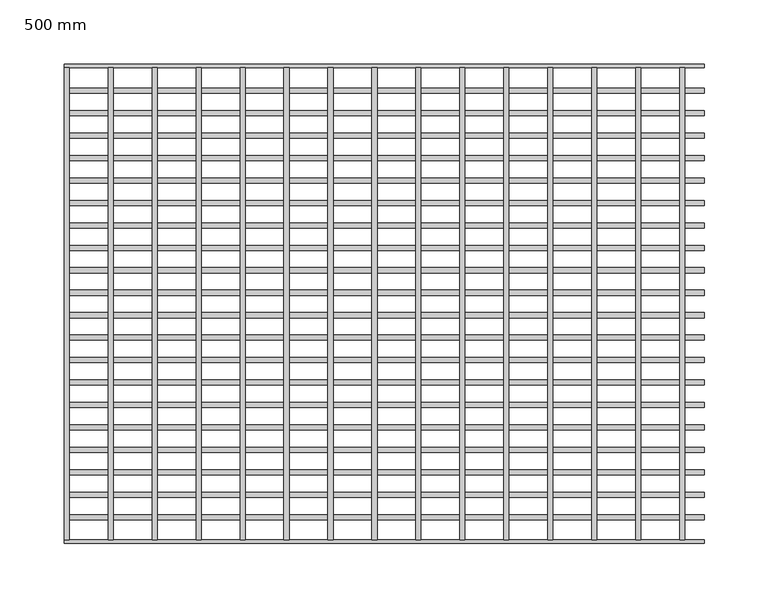
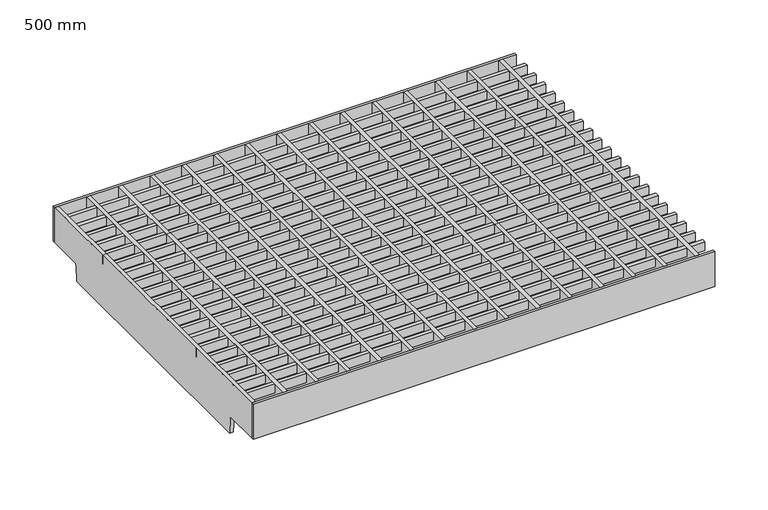
"""IFC4 building model written with IfcOpenShell, lengths in millimetres: proxy geometry, 500 mm."""

from ifc_helpers import new_model, si_unit, point, frame, frame_2d, origin, place, context, project, spatial, polyline, circle_curve, trimmed, segment, composite_curve, outline, extrude, source, transform, mapped, element, save


def proxy_500_mm_2fcd8a14(model_context):
    return source(origin(), model_context, "Body", "SweptSolid", [
        extrude(outline(composite_curve([segment(polyline([(-143.2064767, -60.0), (-144.796523, -41.8256885)]), True, "CONTINUOUS"), segment(trimmed(circle_curve(frame_2d((-146.7889123, -42.0)), 2.0), [point((-144.796523, -41.8256885))], [point((-146.7889123, -40.0))], True, "CARTESIAN"), True, "CONTINUOUS"), segment(polyline([(-146.7889123, -40.0), (-184.5, -40.0), (-184.5, 0.0), (184.5, 0.0), (184.5, -40.0), (146.7889123, -40.0)]), True, "CONTINUOUS"), segment(trimmed(circle_curve(frame_2d((146.7889123, -42.0)), 2.0), [point((146.7889123, -40.0))], [point((144.796523, -41.8256885))], True, "CARTESIAN"), True, "CONTINUOUS"), segment(polyline([(144.796523, -41.8256885), (143.2064767, -60.0), (-143.2064767, -60.0)]), True, "CONTINUOUS")], self_intersect=False)), frame((480.9107143, 0.0, 0.0), z_axis=(1.0, 0.0, 0.0), x_axis=(0.0, 1.0, 0.0)), (0.0, 0.0, 1.0), 4.0),
        extrude(outline(composite_curve([segment(polyline([(-143.2064767, -60.0), (-144.796523, -41.8256885)]), True, "CONTINUOUS"), segment(trimmed(circle_curve(frame_2d((-146.7889123, -42.0)), 2.0), [point((-144.796523, -41.8256885))], [point((-146.7889123, -40.0))], True, "CARTESIAN"), True, "CONTINUOUS"), segment(polyline([(-146.7889123, -40.0), (-184.5, -40.0), (-184.5, 0.0), (184.5, 0.0), (184.5, -40.0), (146.7889123, -40.0)]), True, "CONTINUOUS"), segment(trimmed(circle_curve(frame_2d((146.7889123, -42.0)), 2.0), [point((146.7889123, -40.0))], [point((144.796523, -41.8256885))], True, "CARTESIAN"), True, "CONTINUOUS"), segment(polyline([(144.796523, -41.8256885), (143.2064767, -60.0), (-143.2064767, -60.0)]), True, "CONTINUOUS")], self_intersect=False)), frame((446.5714286, 0.0, 0.0), z_axis=(1.0, 0.0, 0.0), x_axis=(0.0, 1.0, 0.0)), (0.0, 0.0, 1.0), 4.0),
        extrude(outline(composite_curve([segment(polyline([(-143.2064767, -60.0), (-144.796523, -41.8256885)]), True, "CONTINUOUS"), segment(trimmed(circle_curve(frame_2d((-146.7889123, -42.0)), 2.0), [point((-144.796523, -41.8256885))], [point((-146.7889123, -40.0))], True, "CARTESIAN"), True, "CONTINUOUS"), segment(polyline([(-146.7889123, -40.0), (-184.5, -40.0), (-184.5, 0.0), (184.5, 0.0), (184.5, -40.0), (146.7889123, -40.0)]), True, "CONTINUOUS"), segment(trimmed(circle_curve(frame_2d((146.7889123, -42.0)), 2.0), [point((146.7889123, -40.0))], [point((144.796523, -41.8256885))], True, "CARTESIAN"), True, "CONTINUOUS"), segment(polyline([(144.796523, -41.8256885), (143.2064767, -60.0), (-143.2064767, -60.0)]), True, "CONTINUOUS")], self_intersect=False)), frame((412.2321429, 0.0, 0.0), z_axis=(1.0, 0.0, 0.0), x_axis=(0.0, 1.0, 0.0)), (0.0, 0.0, 1.0), 4.0),
        extrude(outline(composite_curve([segment(polyline([(-143.2064767, -60.0), (-144.796523, -41.8256885)]), True, "CONTINUOUS"), segment(trimmed(circle_curve(frame_2d((-146.7889123, -42.0)), 2.0), [point((-144.796523, -41.8256885))], [point((-146.7889123, -40.0))], True, "CARTESIAN"), True, "CONTINUOUS"), segment(polyline([(-146.7889123, -40.0), (-184.5, -40.0), (-184.5, 0.0), (184.5, 0.0), (184.5, -40.0), (146.7889123, -40.0)]), True, "CONTINUOUS"), segment(trimmed(circle_curve(frame_2d((146.7889123, -42.0)), 2.0), [point((146.7889123, -40.0))], [point((144.796523, -41.8256885))], True, "CARTESIAN"), True, "CONTINUOUS"), segment(polyline([(144.796523, -41.8256885), (143.2064767, -60.0), (-143.2064767, -60.0)]), True, "CONTINUOUS")], self_intersect=False)), frame((377.8928571, 0.0, 0.0), z_axis=(1.0, 0.0, 0.0), x_axis=(0.0, 1.0, 0.0)), (0.0, 0.0, 1.0), 4.0),
        extrude(outline(composite_curve([segment(polyline([(-143.2064767, -60.0), (-144.796523, -41.8256885)]), True, "CONTINUOUS"), segment(trimmed(circle_curve(frame_2d((-146.7889123, -42.0)), 2.0), [point((-144.796523, -41.8256885))], [point((-146.7889123, -40.0))], True, "CARTESIAN"), True, "CONTINUOUS"), segment(polyline([(-146.7889123, -40.0), (-184.5, -40.0), (-184.5, 0.0), (184.5, 0.0), (184.5, -40.0), (146.7889123, -40.0)]), True, "CONTINUOUS"), segment(trimmed(circle_curve(frame_2d((146.7889123, -42.0)), 2.0), [point((146.7889123, -40.0))], [point((144.796523, -41.8256885))], True, "CARTESIAN"), True, "CONTINUOUS"), segment(polyline([(144.796523, -41.8256885), (143.2064767, -60.0), (-143.2064767, -60.0)]), True, "CONTINUOUS")], self_intersect=False)), frame((343.5535714, 0.0, 0.0), z_axis=(1.0, 0.0, 0.0), x_axis=(0.0, 1.0, 0.0)), (0.0, 0.0, 1.0), 4.0),
        extrude(outline(composite_curve([segment(polyline([(-143.2064767, -60.0), (-144.796523, -41.8256885)]), True, "CONTINUOUS"), segment(trimmed(circle_curve(frame_2d((-146.7889123, -42.0)), 2.0), [point((-144.796523, -41.8256885))], [point((-146.7889123, -40.0))], True, "CARTESIAN"), True, "CONTINUOUS"), segment(polyline([(-146.7889123, -40.0), (-184.5, -40.0), (-184.5, 0.0), (184.5, 0.0), (184.5, -40.0), (146.7889123, -40.0)]), True, "CONTINUOUS"), segment(trimmed(circle_curve(frame_2d((146.7889123, -42.0)), 2.0), [point((146.7889123, -40.0))], [point((144.796523, -41.8256885))], True, "CARTESIAN"), True, "CONTINUOUS"), segment(polyline([(144.796523, -41.8256885), (143.2064767, -60.0), (-143.2064767, -60.0)]), True, "CONTINUOUS")], self_intersect=False)), frame((309.2142857, 0.0, 0.0), z_axis=(1.0, 0.0, 0.0), x_axis=(0.0, 1.0, 0.0)), (0.0, 0.0, 1.0), 4.0),
        extrude(outline(composite_curve([segment(polyline([(-143.2064767, -60.0), (-144.796523, -41.8256885)]), True, "CONTINUOUS"), segment(trimmed(circle_curve(frame_2d((-146.7889123, -42.0)), 2.0), [point((-144.796523, -41.8256885))], [point((-146.7889123, -40.0))], True, "CARTESIAN"), True, "CONTINUOUS"), segment(polyline([(-146.7889123, -40.0), (-184.5, -40.0), (-184.5, 0.0), (184.5, 0.0), (184.5, -40.0), (146.7889123, -40.0)]), True, "CONTINUOUS"), segment(trimmed(circle_curve(frame_2d((146.7889123, -42.0)), 2.0), [point((146.7889123, -40.0))], [point((144.796523, -41.8256885))], True, "CARTESIAN"), True, "CONTINUOUS"), segment(polyline([(144.796523, -41.8256885), (143.2064767, -60.0), (-143.2064767, -60.0)]), True, "CONTINUOUS")], self_intersect=False)), frame((274.875, 0.0, 0.0), z_axis=(1.0, 0.0, 0.0), x_axis=(0.0, 1.0, 0.0)), (0.0, 0.0, 1.0), 4.0),
        extrude(outline(composite_curve([segment(polyline([(-143.2064767, -60.0), (-144.796523, -41.8256885)]), True, "CONTINUOUS"), segment(trimmed(circle_curve(frame_2d((-146.7889123, -42.0)), 2.0), [point((-144.796523, -41.8256885))], [point((-146.7889123, -40.0))], True, "CARTESIAN"), True, "CONTINUOUS"), segment(polyline([(-146.7889123, -40.0), (-184.5, -40.0), (-184.5, 0.0), (184.5, 0.0), (184.5, -40.0), (146.7889123, -40.0)]), True, "CONTINUOUS"), segment(trimmed(circle_curve(frame_2d((146.7889123, -42.0)), 2.0), [point((146.7889123, -40.0))], [point((144.796523, -41.8256885))], True, "CARTESIAN"), True, "CONTINUOUS"), segment(polyline([(144.796523, -41.8256885), (143.2064767, -60.0), (-143.2064767, -60.0)]), True, "CONTINUOUS")], self_intersect=False)), frame((240.5357143, 0.0, 0.0), z_axis=(1.0, 0.0, 0.0), x_axis=(0.0, 1.0, 0.0)), (0.0, 0.0, 1.0), 4.0),
        extrude(outline(composite_curve([segment(polyline([(-143.2064767, -60.0), (-144.796523, -41.8256885)]), True, "CONTINUOUS"), segment(trimmed(circle_curve(frame_2d((-146.7889123, -42.0)), 2.0), [point((-144.796523, -41.8256885))], [point((-146.7889123, -40.0))], True, "CARTESIAN"), True, "CONTINUOUS"), segment(polyline([(-146.7889123, -40.0), (-184.5, -40.0), (-184.5, 0.0), (184.5, 0.0), (184.5, -40.0), (146.7889123, -40.0)]), True, "CONTINUOUS"), segment(trimmed(circle_curve(frame_2d((146.7889123, -42.0)), 2.0), [point((146.7889123, -40.0))], [point((144.796523, -41.8256885))], True, "CARTESIAN"), True, "CONTINUOUS"), segment(polyline([(144.796523, -41.8256885), (143.2064767, -60.0), (-143.2064767, -60.0)]), True, "CONTINUOUS")], self_intersect=False)), frame((0.0, 0.0, 0.0), z_axis=(1.0, 0.0, 0.0), x_axis=(0.0, 1.0, 0.0)), (0.0, 0.0, 1.0), 4.0),
        extrude(outline(composite_curve([segment(polyline([(-143.2064767, -60.0), (-144.796523, -41.8256885)]), True, "CONTINUOUS"), segment(trimmed(circle_curve(frame_2d((-146.7889123, -42.0)), 2.0), [point((-144.796523, -41.8256885))], [point((-146.7889123, -40.0))], True, "CARTESIAN"), True, "CONTINUOUS"), segment(polyline([(-146.7889123, -40.0), (-184.5, -40.0), (-184.5, 0.0), (184.5, 0.0), (184.5, -40.0), (146.7889123, -40.0)]), True, "CONTINUOUS"), segment(trimmed(circle_curve(frame_2d((146.7889123, -42.0)), 2.0), [point((146.7889123, -40.0))], [point((144.796523, -41.8256885))], True, "CARTESIAN"), True, "CONTINUOUS"), segment(polyline([(144.796523, -41.8256885), (143.2064767, -60.0), (-143.2064767, -60.0)]), True, "CONTINUOUS")], self_intersect=False)), frame((34.5, 0.0, 0.0), z_axis=(1.0, 0.0, 0.0), x_axis=(0.0, 1.0, 0.0)), (0.0, 0.0, 1.0), 4.0),
        extrude(outline(composite_curve([segment(polyline([(-143.2064767, -60.0), (-144.796523, -41.8256885)]), True, "CONTINUOUS"), segment(trimmed(circle_curve(frame_2d((-146.7889123, -42.0)), 2.0), [point((-144.796523, -41.8256885))], [point((-146.7889123, -40.0))], True, "CARTESIAN"), True, "CONTINUOUS"), segment(polyline([(-146.7889123, -40.0), (-184.5, -40.0), (-184.5, 0.0), (184.5, 0.0), (184.5, -40.0), (146.7889123, -40.0)]), True, "CONTINUOUS"), segment(trimmed(circle_curve(frame_2d((146.7889123, -42.0)), 2.0), [point((146.7889123, -40.0))], [point((144.796523, -41.8256885))], True, "CARTESIAN"), True, "CONTINUOUS"), segment(polyline([(144.796523, -41.8256885), (143.2064767, -60.0), (-143.2064767, -60.0)]), True, "CONTINUOUS")], self_intersect=False)), frame((68.8392857, 0.0, 0.0), z_axis=(1.0, 0.0, 0.0), x_axis=(0.0, 1.0, 0.0)), (0.0, 0.0, 1.0), 4.0),
        extrude(outline(composite_curve([segment(polyline([(-143.2064767, -60.0), (-144.796523, -41.8256885)]), True, "CONTINUOUS"), segment(trimmed(circle_curve(frame_2d((-146.7889123, -42.0)), 2.0), [point((-144.796523, -41.8256885))], [point((-146.7889123, -40.0))], True, "CARTESIAN"), True, "CONTINUOUS"), segment(polyline([(-146.7889123, -40.0), (-184.5, -40.0), (-184.5, 0.0), (184.5, 0.0), (184.5, -40.0), (146.7889123, -40.0)]), True, "CONTINUOUS"), segment(trimmed(circle_curve(frame_2d((146.7889123, -42.0)), 2.0), [point((146.7889123, -40.0))], [point((144.796523, -41.8256885))], True, "CARTESIAN"), True, "CONTINUOUS"), segment(polyline([(144.796523, -41.8256885), (143.2064767, -60.0), (-143.2064767, -60.0)]), True, "CONTINUOUS")], self_intersect=False)), frame((103.1785714, 0.0, 0.0), z_axis=(1.0, 0.0, 0.0), x_axis=(0.0, 1.0, 0.0)), (0.0, 0.0, 1.0), 4.0),
        extrude(outline(composite_curve([segment(polyline([(-143.2064767, -60.0), (-144.796523, -41.8256885)]), True, "CONTINUOUS"), segment(trimmed(circle_curve(frame_2d((-146.7889123, -42.0)), 2.0), [point((-144.796523, -41.8256885))], [point((-146.7889123, -40.0))], True, "CARTESIAN"), True, "CONTINUOUS"), segment(polyline([(-146.7889123, -40.0), (-184.5, -40.0), (-184.5, 0.0), (184.5, 0.0), (184.5, -40.0), (146.7889123, -40.0)]), True, "CONTINUOUS"), segment(trimmed(circle_curve(frame_2d((146.7889123, -42.0)), 2.0), [point((146.7889123, -40.0))], [point((144.796523, -41.8256885))], True, "CARTESIAN"), True, "CONTINUOUS"), segment(polyline([(144.796523, -41.8256885), (143.2064767, -60.0), (-143.2064767, -60.0)]), True, "CONTINUOUS")], self_intersect=False)), frame((137.5178571, 0.0, 0.0), z_axis=(1.0, 0.0, 0.0), x_axis=(0.0, 1.0, 0.0)), (0.0, 0.0, 1.0), 4.0),
        extrude(outline(composite_curve([segment(polyline([(-143.2064767, -60.0), (-144.796523, -41.8256885)]), True, "CONTINUOUS"), segment(trimmed(circle_curve(frame_2d((-146.7889123, -42.0)), 2.0), [point((-144.796523, -41.8256885))], [point((-146.7889123, -40.0))], True, "CARTESIAN"), True, "CONTINUOUS"), segment(polyline([(-146.7889123, -40.0), (-184.5, -40.0), (-184.5, 0.0), (184.5, 0.0), (184.5, -40.0), (146.7889123, -40.0)]), True, "CONTINUOUS"), segment(trimmed(circle_curve(frame_2d((146.7889123, -42.0)), 2.0), [point((146.7889123, -40.0))], [point((144.796523, -41.8256885))], True, "CARTESIAN"), True, "CONTINUOUS"), segment(polyline([(144.796523, -41.8256885), (143.2064767, -60.0), (-143.2064767, -60.0)]), True, "CONTINUOUS")], self_intersect=False)), frame((171.8571429, 0.0, 0.0), z_axis=(1.0, 0.0, 0.0), x_axis=(0.0, 1.0, 0.0)), (0.0, 0.0, 1.0), 4.0),
        extrude(outline(composite_curve([segment(polyline([(-143.2064767, -60.0), (-144.796523, -41.8256885)]), True, "CONTINUOUS"), segment(trimmed(circle_curve(frame_2d((-146.7889123, -42.0)), 2.0), [point((-144.796523, -41.8256885))], [point((-146.7889123, -40.0))], True, "CARTESIAN"), True, "CONTINUOUS"), segment(polyline([(-146.7889123, -40.0), (-184.5, -40.0), (-184.5, 0.0), (184.5, 0.0), (184.5, -40.0), (146.7889123, -40.0)]), True, "CONTINUOUS"), segment(trimmed(circle_curve(frame_2d((146.7889123, -42.0)), 2.0), [point((146.7889123, -40.0))], [point((144.796523, -41.8256885))], True, "CARTESIAN"), True, "CONTINUOUS"), segment(polyline([(144.796523, -41.8256885), (143.2064767, -60.0), (-143.2064767, -60.0)]), True, "CONTINUOUS")], self_intersect=False)), frame((206.1964286, 0.0, 0.0), z_axis=(1.0, 0.0, 0.0), x_axis=(0.0, 1.0, 0.0)), (0.0, 0.0, 1.0), 4.0),
        extrude(outline(polyline([(500.0, 187.5), (500.0, 184.5), (0.0, 184.5), (0.0, 187.5), (500.0, 187.5)])), frame((0.0, 0.0, -40.0), z_axis=(0.0, 0.0, 1.0), x_axis=(1.0, 0.0, 0.0)), (0.0, 0.0, 1.0), 40.0),
        extrude(outline(polyline([(500.0, -184.5), (500.0, -187.5), (0.0, -187.5), (0.0, -184.5), (500.0, -184.5)])), frame((0.0, 0.0, -40.0), z_axis=(0.0, 0.0, 1.0), x_axis=(1.0, 0.0, 0.0)), (0.0, 0.0, 1.0), 40.0),
        extrude(outline(polyline([(500.0, -164.90625), (500.0, -168.90625), (0.0, -168.90625), (0.0, -164.90625), (500.0, -164.90625)])), frame((0.0, 0.0, -10.0), z_axis=(0.0, 0.0, 1.0), x_axis=(1.0, 0.0, 0.0)), (0.0, 0.0, 1.0), 10.0),
        extrude(outline(polyline([(500.0, -147.35625), (500.0, -151.35625), (0.0, -151.35625), (0.0, -147.35625), (500.0, -147.35625)])), frame((0.0, 0.0, -10.0), z_axis=(0.0, 0.0, 1.0), x_axis=(1.0, 0.0, 0.0)), (0.0, 0.0, 1.0), 10.0),
        extrude(outline(polyline([(500.0, -129.80625), (500.0, -133.80625), (0.0, -133.80625), (0.0, -129.80625), (500.0, -129.80625)])), frame((0.0, 0.0, -10.0), z_axis=(0.0, 0.0, 1.0), x_axis=(1.0, 0.0, 0.0)), (0.0, 0.0, 1.0), 10.0),
        extrude(outline(polyline([(500.0, -112.25625), (500.0, -116.25625), (0.0, -116.25625), (0.0, -112.25625), (500.0, -112.25625)])), frame((0.0, 0.0, -10.0), z_axis=(0.0, 0.0, 1.0), x_axis=(1.0, 0.0, 0.0)), (0.0, 0.0, 1.0), 10.0),
        extrude(outline(polyline([(500.0, -94.70625), (500.0, -98.70625), (0.0, -98.70625), (0.0, -94.70625), (500.0, -94.70625)])), frame((0.0, 0.0, -10.0), z_axis=(0.0, 0.0, 1.0), x_axis=(1.0, 0.0, 0.0)), (0.0, 0.0, 1.0), 10.0),
        extrude(outline(polyline([(500.0, -77.15625), (500.0, -81.15625), (0.0, -81.15625), (0.0, -77.15625), (500.0, -77.15625)])), frame((0.0, 0.0, -10.0), z_axis=(0.0, 0.0, 1.0), x_axis=(1.0, 0.0, 0.0)), (0.0, 0.0, 1.0), 10.0),
        extrude(outline(polyline([(500.0, -59.60625), (500.0, -63.60625), (0.0, -63.60625), (0.0, -59.60625), (500.0, -59.60625)])), frame((0.0, 0.0, -10.0), z_axis=(0.0, 0.0, 1.0), x_axis=(1.0, 0.0, 0.0)), (0.0, 0.0, 1.0), 10.0),
        extrude(outline(polyline([(500.0, -42.05625), (500.0, -46.05625), (0.0, -46.05625), (0.0, -42.05625), (500.0, -42.05625)])), frame((0.0, 0.0, -10.0), z_axis=(0.0, 0.0, 1.0), x_axis=(1.0, 0.0, 0.0)), (0.0, 0.0, 1.0), 10.0),
        extrude(outline(polyline([(500.0, -24.50625), (500.0, -28.50625), (0.0, -28.50625), (0.0, -24.50625), (500.0, -24.50625)])), frame((0.0, 0.0, -10.0), z_axis=(0.0, 0.0, 1.0), x_axis=(1.0, 0.0, 0.0)), (0.0, 0.0, 1.0), 10.0),
        extrude(outline(polyline([(500.0, -6.95625), (500.0, -10.95625), (0.0, -10.95625), (0.0, -6.95625), (500.0, -6.95625)])), frame((0.0, 0.0, -10.0), z_axis=(0.0, 0.0, 1.0), x_axis=(1.0, 0.0, 0.0)), (0.0, 0.0, 1.0), 10.0),
        extrude(outline(polyline([(500.0, 10.59375), (500.0, 6.59375), (0.0, 6.59375), (0.0, 10.59375), (500.0, 10.59375)])), frame((0.0, 0.0, -10.0), z_axis=(0.0, 0.0, 1.0), x_axis=(1.0, 0.0, 0.0)), (0.0, 0.0, 1.0), 10.0),
        extrude(outline(polyline([(500.0, 28.14375), (500.0, 24.14375), (0.0, 24.14375), (0.0, 28.14375), (500.0, 28.14375)])), frame((0.0, 0.0, -10.0), z_axis=(0.0, 0.0, 1.0), x_axis=(1.0, 0.0, 0.0)), (0.0, 0.0, 1.0), 10.0),
        extrude(outline(polyline([(500.0, 45.69375), (500.0, 41.69375), (0.0, 41.69375), (0.0, 45.69375), (500.0, 45.69375)])), frame((0.0, 0.0, -10.0), z_axis=(0.0, 0.0, 1.0), x_axis=(1.0, 0.0, 0.0)), (0.0, 0.0, 1.0), 10.0),
        extrude(outline(polyline([(500.0, 63.24375), (500.0, 59.24375), (0.0, 59.24375), (0.0, 63.24375), (500.0, 63.24375)])), frame((0.0, 0.0, -10.0), z_axis=(0.0, 0.0, 1.0), x_axis=(1.0, 0.0, 0.0)), (0.0, 0.0, 1.0), 10.0),
        extrude(outline(polyline([(500.0, 80.79375), (500.0, 76.79375), (0.0, 76.79375), (0.0, 80.79375), (500.0, 80.79375)])), frame((0.0, 0.0, -10.0), z_axis=(0.0, 0.0, 1.0), x_axis=(1.0, 0.0, 0.0)), (0.0, 0.0, 1.0), 10.0),
        extrude(outline(polyline([(500.0, 98.34375), (500.0, 94.34375), (0.0, 94.34375), (0.0, 98.34375), (500.0, 98.34375)])), frame((0.0, 0.0, -10.0), z_axis=(0.0, 0.0, 1.0), x_axis=(1.0, 0.0, 0.0)), (0.0, 0.0, 1.0), 10.0),
        extrude(outline(polyline([(500.0, 115.89375), (500.0, 111.89375), (0.0, 111.89375), (0.0, 115.89375), (500.0, 115.89375)])), frame((0.0, 0.0, -10.0), z_axis=(0.0, 0.0, 1.0), x_axis=(1.0, 0.0, 0.0)), (0.0, 0.0, 1.0), 10.0),
        extrude(outline(polyline([(500.0, 133.44375), (500.0, 129.44375), (0.0, 129.44375), (0.0, 133.44375), (500.0, 133.44375)])), frame((0.0, 0.0, -10.0), z_axis=(0.0, 0.0, 1.0), x_axis=(1.0, 0.0, 0.0)), (0.0, 0.0, 1.0), 10.0),
        extrude(outline(polyline([(500.0, 150.99375), (500.0, 146.99375), (0.0, 146.99375), (0.0, 150.99375), (500.0, 150.99375)])), frame((0.0, 0.0, -10.0), z_axis=(0.0, 0.0, 1.0), x_axis=(1.0, 0.0, 0.0)), (0.0, 0.0, 1.0), 10.0),
        extrude(outline(polyline([(500.0, 168.54375), (500.0, 164.54375), (0.0, 164.54375), (0.0, 168.54375), (500.0, 168.54375)])), frame((0.0, 0.0, -10.0), z_axis=(0.0, 0.0, 1.0), x_axis=(1.0, 0.0, 0.0)), (0.0, 0.0, 1.0), 10.0),
    ])


if __name__ == "__main__":
    model = new_model("IFC4")
    model_context = context("Model", 3, world=origin())
    ifc_project = project(units=[si_unit("LENGTHUNIT", "METRE", prefix="MILLI")], contexts=[model_context])
    site = spatial("IfcSite", under=ifc_project)
    building = spatial("IfcBuilding", under=site)
    placement = place(None, origin())
    proxy_500_mm_shape = proxy_500_mm_2fcd8a14(model_context)
    element("IfcBuildingElementProxy", 1, Name="500 mm", ObjectType="500 mm", at=placement, inside=building, context=model_context, shape_type="MappedRepresentation", body=[
        mapped(proxy_500_mm_shape, transform((0.0, 0.0, 0.0), x_axis=(1.0, 0.0, 0.0), y_axis=(0.0, 1.0, 0.0), z_axis=(0.0, 0.0, 1.0))),
    ])
    save(model, "model.ifc")
